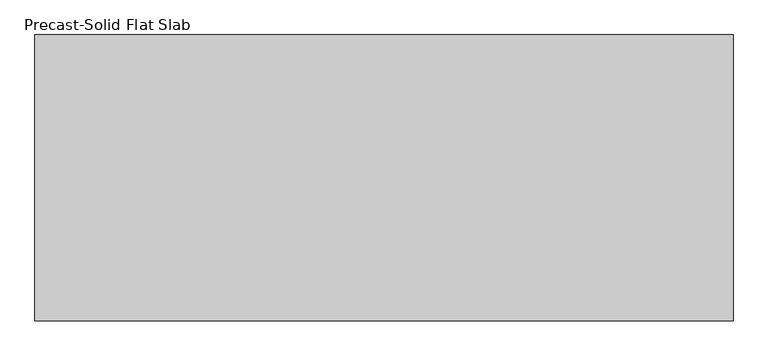
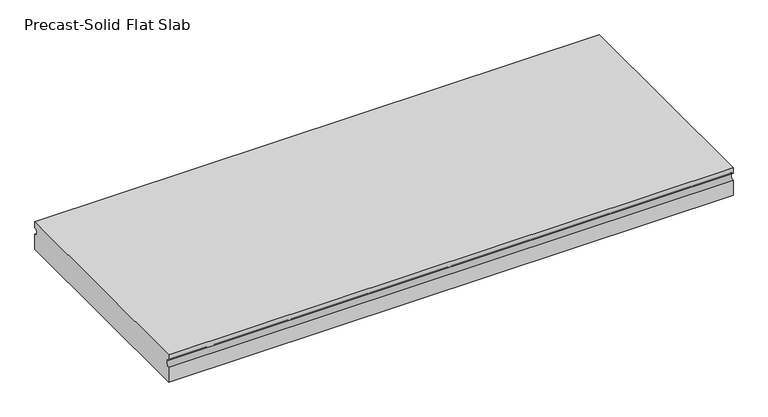
"""IFC4 building model written with IfcOpenShell, lengths in millimetres: beam geometry, Precast-Solid Flat Slab."""

from ifc_helpers import new_model, si_unit, point, frame, frame_2d, origin, place, context, project, spatial, polyline, circle_curve, trimmed, segment, composite_curve, outline, extrude, source, transform, mapped, element, save


def precast_solid_flat_slab_e9907725(model_context):
    return source(origin(), model_context, "Body", "SweptSolid", [
        extrude(outline(composite_curve([segment(polyline([(-304.8, 38.1), (304.8, 38.1), (304.8, 22.225)]), True, "CONTINUOUS"), segment(trimmed(circle_curve(frame_2d((304.8, 12.7)), 9.525), [point((304.8, 22.225))], [point((304.8, 3.175))], True, "CARTESIAN"), True, "CONTINUOUS"), segment(polyline([(304.8, 3.175), (304.8, -38.1), (-304.8, -38.1), (-304.8, 3.175)]), True, "CONTINUOUS"), segment(trimmed(circle_curve(frame_2d((-304.8, 12.7)), 9.525), [point((-304.8, 3.175))], [point((-304.8, 22.225))], True, "CARTESIAN"), True, "CONTINUOUS"), segment(polyline([(-304.8, 22.225), (-304.8, 38.1)]), True, "CONTINUOUS")], self_intersect=False)), frame((-771.6738281, 0.0, 0.0), z_axis=(1.0, 0.0, 0.0), x_axis=(0.0, 1.0, 0.0)), (0.0, 0.0, 1.0), 1486.1976562),
    ])


if __name__ == "__main__":
    model = new_model("IFC4")
    model_context = context("Model", 3, world=origin())
    ifc_project = project(units=[si_unit("LENGTHUNIT", "METRE", prefix="MILLI")], contexts=[model_context])
    site = spatial("IfcSite", under=ifc_project)
    building = spatial("IfcBuilding", under=site)
    placement = place(None, origin())
    precast_solid_flat_slab_shape = precast_solid_flat_slab_e9907725(model_context)
    element("IfcBeam", 1, ObjectType="Precast-Solid Flat Slab", at=placement, inside=building, context=model_context, shape_type="MappedRepresentation", body=[
        mapped(precast_solid_flat_slab_shape, transform((0.0, 0.0, 0.0), x_axis=(1.0, 0.0, 0.0), y_axis=(0.0, 1.0, 0.0), z_axis=(0.0, 0.0, 1.0))),
    ])
    save(model, "model.ifc")
